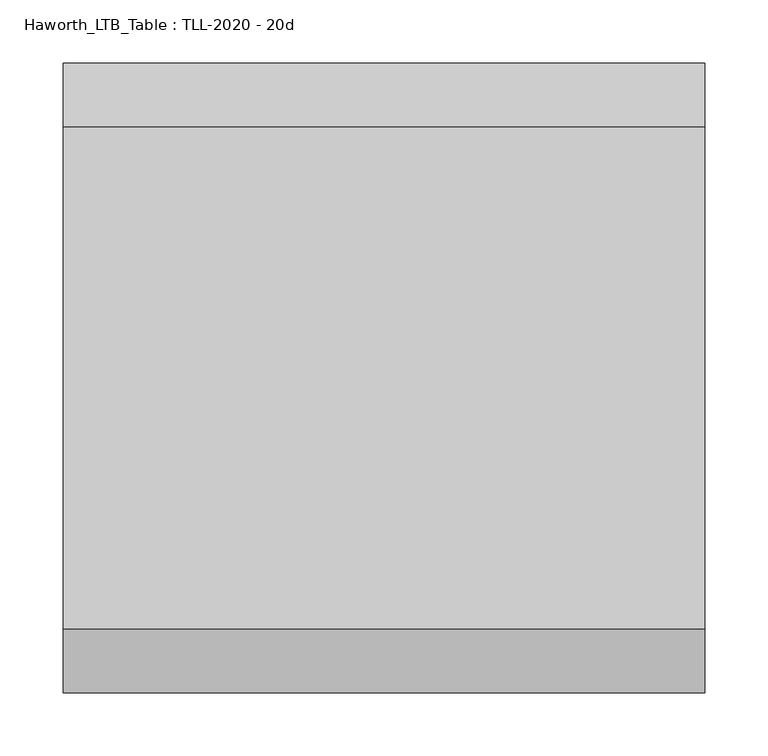
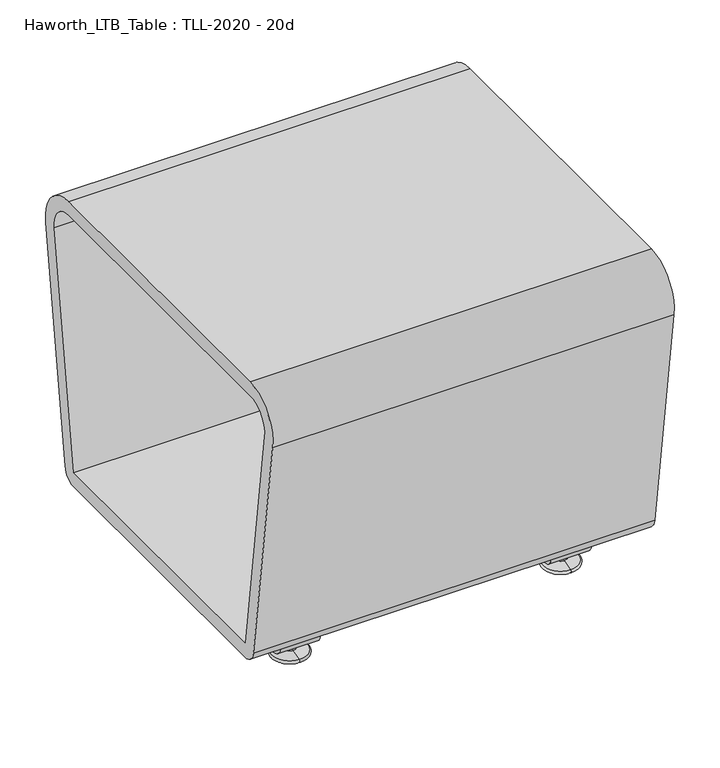
"""IFC4 building model written with IfcOpenShell, lengths in millimetres: furniture geometry, Haworth_LTB_Table : TLL-2020 - 20d."""

from ifc_helpers import new_model, si_unit, point, frame, frame_2d, origin, place, context, project, spatial, polyline, circle_curve, ellipse_curve, trimmed, segment, composite_curve, outline, extrude, source, transform, mapped, element, save
from ifc_brep_helpers import plane_surface, cylinder_surface, revolved_surface, advanced_brep


def haworth_ltb_table_tll_2020_20d_f99d6b03(model_context):
    return source(origin(), model_context, "Body", "SolidModel", [
        advanced_brep(
        [(272.9954642, 134.8425052, 7.8133431), (272.9954642, 150.8355515, 7.8133431), (272.9954642, 147.6015284, 7.8133431), (272.9954642, 138.0765284, 7.8133431), (272.9954642, 120.9001513, 4.0775), (272.9954642, 164.7779054, 4.0775), (272.9954642, 121.3107026, 0.0), (272.9954642, 164.3673542, 0.0), (272.9954642, 142.8390284, 0.0), (272.9954642, 138.0765284, 50.0000004), (272.9954642, 147.6015284, 50.0000004), (272.9954642, 142.8390284, 50.0000004)],
        [
            (0, 1, circle_curve(frame((272.9954642, 142.8390284, 7.8133431), z_axis=(0.0, 0.0, 1.0), x_axis=(0.0, 1.0, 0.0)), 7.9965232)),
            (1, 2),
            (2, 3, circle_curve(frame((272.9954642, 142.8390284, 7.8133431), z_axis=(0.0, 0.0, -1.0), x_axis=(0.0, 1.0, 0.0)), 4.7625)),
            (3, 0),
            (1, 0, circle_curve(frame((272.9954642, 142.8390284, 7.8133431), z_axis=(0.0, 0.0, 1.0), x_axis=(0.0, 1.0, 0.0)), 7.9965232)),
            (3, 2, circle_curve(frame((272.9954642, 142.8390284, 7.8133431), z_axis=(0.0, 0.0, -1.0), x_axis=(0.0, 1.0, 0.0)), 4.7625)),
            (4, 5, circle_curve(frame((272.9954642, 142.8390284, 4.0775), z_axis=(0.0, 0.0, 1.0), x_axis=(0.0, 1.0, 0.0)), 21.9388771)),
            (5, 1),
            (0, 4),
            (5, 4, circle_curve(frame((272.9954642, 142.8390284, 4.0775), z_axis=(0.0, 0.0, 1.0), x_axis=(0.0, 1.0, 0.0)), 21.9388771)),
            (6, 7, circle_curve(frame((272.9954642, 142.8390284, 0.0), z_axis=(0.0, 0.0, 1.0), x_axis=(0.0, 1.0, 0.0)), 21.5283258)),
            (7, 5, circle_curve(frame((272.9954642, 164.2405822, 2.0721829), z_axis=(1.0, 0.0, 0.0), x_axis=(0.0, -1.0, 0.0)), 2.0760571)),
            (4, 6, circle_curve(frame((272.9954642, 121.4374745, 2.0721829), z_axis=(1.0, 0.0, 0.0), x_axis=(0.0, 1.0, 0.0)), 2.0760571)),
            (7, 6, circle_curve(frame((272.9954642, 142.8390284, 0.0), z_axis=(0.0, 0.0, 1.0), x_axis=(0.0, 1.0, 0.0)), 21.5283258)),
            (8, 7),
            (6, 8),
            (9, 10, circle_curve(frame((272.9954642, 142.8390284, 50.0000004), z_axis=(0.0, 0.0, 1.0), x_axis=(0.0, 1.0, 0.0)), 4.7625)),
            (10, 11),
            (11, 9),
            (10, 9, circle_curve(frame((272.9954642, 142.8390284, 50.0000004), z_axis=(0.0, 0.0, 1.0), x_axis=(0.0, 1.0, 0.0)), 4.7625)),
            (2, 10),
            (9, 3),
        ],
        [
            plane_surface(frame((272.9954642, 142.8390284, 7.8133431), z_axis=(0.0, 0.0, 1.0), x_axis=(0.0, 1.0, 0.0))),
            revolved_surface(polyline([(272.9954642, 150.8355515, 7.8133431), (272.9954642, 164.7779054, 4.0775)]), (272.9954642, 142.8390284, 0.0), (0.0, 0.0, -1.0)),
            revolved_surface(trimmed(ellipse_curve(frame((272.9954642, 164.2405822, 2.0721829), z_axis=(-1.0, 0.0, 0.0), x_axis=(0.0, -1.0, 0.0)), 2.0760571, 2.0760571), [point((272.9954642, 164.7779054, 4.0775))], [point((272.9954642, 164.3673542, 0.0))], True, "CARTESIAN"), (272.9954642, 142.8390284, 0.0), (0.0, 0.0, -1.0)),
            plane_surface(frame((272.9954642, 142.8390284, 0.0), z_axis=(0.0, 0.0, -1.0), x_axis=(0.0, 1.0, 0.0))),
            plane_surface(frame((272.9954642, 142.8390284, 50.0000004), z_axis=(0.0, 0.0, 1.0), x_axis=(0.0, 1.0, 0.0))),
            cylinder_surface(frame((272.9954642, 142.8390284, 0.0), z_axis=(0.0, 0.0, -1.0), x_axis=(0.0, 1.0, 0.0)), 4.7625),
        ],
        [
            (0, [[1, 2, 3, 4]]),
            (0, [[5, -4, 6, -2]]),
            (1, [[7, 8, -1, 9]]),
            (1, [[10, -9, -5, -8]]),
            (2, [[11, 12, -7, 13]]),
            (2, [[14, -13, -10, -12]]),
            (3, [[15, -11, 16]]),
            (3, [[-16, -14, -15]]),
            (4, [[17, 18, 19]]),
            (4, [[20, -19, -18]]),
            (5, [[-3, 21, -17, 22]]),
            (5, [[-6, -22, -20, -21]]),
        ],
    ),
        extrude(outline(composite_curve([segment(trimmed(circle_curve(frame_2d((151.994834, 30.0000007)), 15.000001), [point((166.848856, 27.9124042))], [point((151.994834, 14.9999997))], False, "CARTESIAN"), True, "CONTINUOUS"), segment(polyline([(151.994834, 14.9999997), (133.6832228, 14.9999997)]), True, "CONTINUOUS"), segment(trimmed(circle_curve(frame_2d((133.6832228, 30.0000007)), 15.000001), [point((133.6832228, 14.9999997))], [point((118.8292007, 27.9124042))], False, "CARTESIAN"), True, "CONTINUOUS"), segment(polyline([(118.8292007, 27.9124042), (115.7249917, 50.0000004), (121.4709154, 50.0000004), (124.4638262, 28.7043023)]), True, "CONTINUOUS"), segment(trimmed(circle_curve(frame_2d((133.6832241, 30.0000023)), 9.310002), [point((124.4638262, 28.7043023))], [point((133.6832241, 20.6900003))], True, "CARTESIAN"), True, "CONTINUOUS"), segment(polyline([(133.6832241, 20.6900003), (151.9948326, 20.6900003)]), True, "CONTINUOUS"), segment(trimmed(circle_curve(frame_2d((151.9948326, 30.0000023)), 9.310002), [point((151.9948326, 20.6900003))], [point((161.2142305, 28.7043023))], True, "CARTESIAN"), True, "CONTINUOUS"), segment(polyline([(161.2142305, 28.7043023), (164.2071413, 50.0000004), (169.953065, 50.0000004), (166.848856, 27.9124042)]), True, "CONTINUOUS")], self_intersect=False)), frame((247.5954642, 0.0, 0.0), z_axis=(1.0, 0.0, 0.0), x_axis=(0.0, 1.0, 0.0)), (0.0, 0.0, 1.0), 50.8),
        advanced_brep(
        [(616.0045358, 138.0765284, 7.8133431), (616.0045358, 147.6015284, 7.8133431), (616.0045358, 150.8355515, 7.8133431), (616.0045358, 134.8425052, 7.8133431), (616.0045358, 164.7779054, 4.0775), (616.0045358, 120.9001513, 4.0775), (616.0045358, 164.3673542, 0.0), (616.0045358, 121.3107026, 0.0), (616.0045358, 142.8390284, 0.0), (616.0045358, 142.8390284, 50.0000004), (616.0045358, 147.6015284, 50.0000004), (616.0045358, 138.0765284, 50.0000004)],
        [
            (0, 1, circle_curve(frame((616.0045358, 142.8390284, 7.8133431), z_axis=(0.0, 0.0, -1.0), x_axis=(0.0, 1.0, 0.0)), 4.7625)),
            (1, 2),
            (2, 3, circle_curve(frame((616.0045358, 142.8390284, 7.8133431), z_axis=(0.0, 0.0, 1.0), x_axis=(0.0, 1.0, 0.0)), 7.9965232)),
            (3, 0),
            (1, 0, circle_curve(frame((616.0045358, 142.8390284, 7.8133431), z_axis=(0.0, 0.0, -1.0), x_axis=(0.0, 1.0, 0.0)), 4.7625)),
            (3, 2, circle_curve(frame((616.0045358, 142.8390284, 7.8133431), z_axis=(0.0, 0.0, 1.0), x_axis=(0.0, 1.0, 0.0)), 7.9965232)),
            (2, 4),
            (4, 5, circle_curve(frame((616.0045358, 142.8390284, 4.0775), z_axis=(0.0, 0.0, 1.0), x_axis=(0.0, 1.0, 0.0)), 21.9388771)),
            (5, 3),
            (5, 4, circle_curve(frame((616.0045358, 142.8390284, 4.0775), z_axis=(0.0, 0.0, 1.0), x_axis=(0.0, 1.0, 0.0)), 21.9388771)),
            (4, 6, circle_curve(frame((616.0045358, 164.2405822, 2.0721829), z_axis=(-1.0, 0.0, 0.0), x_axis=(0.0, -1.0, 0.0)), 2.0760571)),
            (6, 7, circle_curve(frame((616.0045358, 142.8390284, 0.0), z_axis=(0.0, 0.0, 1.0), x_axis=(0.0, 1.0, 0.0)), 21.5283258)),
            (7, 5, circle_curve(frame((616.0045358, 121.4374745, 2.0721829), z_axis=(-1.0, 0.0, 0.0), x_axis=(0.0, 1.0, 0.0)), 2.0760571)),
            (7, 6, circle_curve(frame((616.0045358, 142.8390284, 0.0), z_axis=(0.0, 0.0, 1.0), x_axis=(0.0, 1.0, 0.0)), 21.5283258)),
            (6, 8),
            (8, 7),
            (9, 10),
            (10, 11, circle_curve(frame((616.0045358, 142.8390284, 50.0000004), z_axis=(0.0, 0.0, 1.0), x_axis=(0.0, 1.0, 0.0)), 4.7625)),
            (11, 9),
            (11, 10, circle_curve(frame((616.0045358, 142.8390284, 50.0000004), z_axis=(0.0, 0.0, 1.0), x_axis=(0.0, 1.0, 0.0)), 4.7625)),
            (10, 1),
            (0, 11),
        ],
        [
            plane_surface(frame((616.0045358, 142.8390284, 7.8133431), z_axis=(0.0, 0.0, 1.0), x_axis=(0.0, 1.0, 0.0))),
            revolved_surface(polyline([(616.0045358, 164.7779054, 4.0775), (616.0045358, 150.8355515, 7.8133431)]), (616.0045358, 142.8390284, 0.0), (0.0, 0.0, 1.0)),
            revolved_surface(trimmed(ellipse_curve(frame((616.0045358, 164.2405822, 2.0721829), z_axis=(1.0, 0.0, 0.0), x_axis=(0.0, -1.0, 0.0)), 2.0760571, 2.0760571), [point((616.0045358, 164.3673542, 0.0))], [point((616.0045358, 164.7779054, 4.0775))], True, "CARTESIAN"), (616.0045358, 142.8390284, 0.0), (0.0, 0.0, 1.0)),
            plane_surface(frame((616.0045358, 142.8390284, 0.0), z_axis=(0.0, 0.0, -1.0), x_axis=(0.0, 1.0, 0.0))),
            plane_surface(frame((616.0045358, 142.8390284, 50.0000004), z_axis=(0.0, 0.0, 1.0), x_axis=(0.0, 1.0, 0.0))),
            cylinder_surface(frame((616.0045358, 142.8390284, 0.0), z_axis=(0.0, 0.0, 1.0), x_axis=(0.0, 1.0, 0.0)), 4.7625),
        ],
        [
            (0, [[1, 2, 3, 4]]),
            (0, [[5, -4, 6, -2]]),
            (1, [[-3, 7, 8, 9]]),
            (1, [[-6, -9, 10, -7]]),
            (2, [[-8, 11, 12, 13]]),
            (2, [[-10, -13, 14, -11]]),
            (3, [[-12, 15, 16]]),
            (3, [[-14, -16, -15]]),
            (4, [[17, 18, 19]]),
            (4, [[-19, 20, -17]]),
            (5, [[-18, 21, -1, 22]]),
            (5, [[-20, -22, -5, -21]]),
        ],
    ),
        extrude(outline(composite_curve([segment(trimmed(circle_curve(frame_2d((151.994834, 30.0000007)), 15.000001), [point((166.848856, 27.9124042))], [point((151.994834, 14.9999997))], False, "CARTESIAN"), True, "CONTINUOUS"), segment(polyline([(151.994834, 14.9999997), (133.6832228, 14.9999997)]), True, "CONTINUOUS"), segment(trimmed(circle_curve(frame_2d((133.6832228, 30.0000007)), 15.000001), [point((133.6832228, 14.9999997))], [point((118.8292007, 27.9124042))], False, "CARTESIAN"), True, "CONTINUOUS"), segment(polyline([(118.8292007, 27.9124042), (115.7249917, 50.0000004), (121.4709154, 50.0000004), (124.4638262, 28.7043023)]), True, "CONTINUOUS"), segment(trimmed(circle_curve(frame_2d((133.6832241, 30.0000023)), 9.310002), [point((124.4638262, 28.7043023))], [point((133.6832241, 20.6900003))], True, "CARTESIAN"), True, "CONTINUOUS"), segment(polyline([(133.6832241, 20.6900003), (151.9948326, 20.6900003)]), True, "CONTINUOUS"), segment(trimmed(circle_curve(frame_2d((151.9948326, 30.0000023)), 9.310002), [point((151.9948326, 20.6900003))], [point((161.2142305, 28.7043023))], True, "CARTESIAN"), True, "CONTINUOUS"), segment(polyline([(161.2142305, 28.7043023), (164.2071413, 50.0000004), (169.953065, 50.0000004), (166.848856, 27.9124042)]), True, "CONTINUOUS")], self_intersect=False)), frame((590.6045358, 0.0, 0.0), z_axis=(1.0, 0.0, 0.0), x_axis=(0.0, 1.0, 0.0)), (0.0, 0.0, 1.0), 50.8),
        advanced_brep(
        [(272.9954642, -138.0765284, 7.8133431), (272.9954642, -147.6015284, 7.8133431), (272.9954642, -150.8355515, 7.8133431), (272.9954642, -134.8425052, 7.8133431), (272.9954642, -164.7779054, 4.0775), (272.9954642, -120.9001513, 4.0775), (272.9954642, -164.3673542, 0.0), (272.9954642, -121.3107026, 0.0), (272.9954642, -142.8390284, 0.0), (272.9954642, -142.8390284, 50.0000004), (272.9954642, -147.6015284, 50.0000004), (272.9954642, -138.0765284, 50.0000004)],
        [
            (0, 1, circle_curve(frame((272.9954642, -142.8390284, 7.8133431), z_axis=(0.0, 0.0, -1.0), x_axis=(0.0, -1.0, 0.0)), 4.7625)),
            (1, 2),
            (2, 3, circle_curve(frame((272.9954642, -142.8390284, 7.8133431), z_axis=(0.0, 0.0, 1.0), x_axis=(0.0, -1.0, 0.0)), 7.9965232)),
            (3, 0),
            (1, 0, circle_curve(frame((272.9954642, -142.8390284, 7.8133431), z_axis=(0.0, 0.0, -1.0), x_axis=(0.0, -1.0, 0.0)), 4.7625)),
            (3, 2, circle_curve(frame((272.9954642, -142.8390284, 7.8133431), z_axis=(0.0, 0.0, 1.0), x_axis=(0.0, -1.0, 0.0)), 7.9965232)),
            (2, 4),
            (4, 5, circle_curve(frame((272.9954642, -142.8390284, 4.0775), z_axis=(0.0, 0.0, 1.0), x_axis=(0.0, -1.0, 0.0)), 21.9388771)),
            (5, 3),
            (5, 4, circle_curve(frame((272.9954642, -142.8390284, 4.0775), z_axis=(0.0, 0.0, 1.0), x_axis=(0.0, -1.0, 0.0)), 21.9388771)),
            (4, 6, circle_curve(frame((272.9954642, -164.2405822, 2.0721829), z_axis=(1.0, 0.0, 0.0), x_axis=(0.0, 1.0, 0.0)), 2.0760571)),
            (6, 7, circle_curve(frame((272.9954642, -142.8390284, 0.0), z_axis=(0.0, 0.0, 1.0), x_axis=(0.0, -1.0, 0.0)), 21.5283258)),
            (7, 5, circle_curve(frame((272.9954642, -121.4374745, 2.0721829), z_axis=(1.0, 0.0, 0.0), x_axis=(0.0, -1.0, 0.0)), 2.0760571)),
            (7, 6, circle_curve(frame((272.9954642, -142.8390284, 0.0), z_axis=(0.0, 0.0, 1.0), x_axis=(0.0, -1.0, 0.0)), 21.5283258)),
            (6, 8),
            (8, 7),
            (9, 10),
            (10, 11, circle_curve(frame((272.9954642, -142.8390284, 50.0000004), z_axis=(0.0, 0.0, 1.0), x_axis=(0.0, -1.0, 0.0)), 4.7625)),
            (11, 9),
            (11, 10, circle_curve(frame((272.9954642, -142.8390284, 50.0000004), z_axis=(0.0, 0.0, 1.0), x_axis=(0.0, -1.0, 0.0)), 4.7625)),
            (10, 1),
            (0, 11),
        ],
        [
            plane_surface(frame((272.9954642, -142.8390284, 7.8133431), z_axis=(0.0, 0.0, 1.0), x_axis=(0.0, -1.0, 0.0))),
            revolved_surface(polyline([(272.9954642, -164.7779054, 4.0775), (272.9954642, -150.8355515, 7.8133431)]), (272.9954642, -142.8390284, 0.0), (0.0, 0.0, 1.0)),
            revolved_surface(trimmed(ellipse_curve(frame((272.9954642, -164.2405822, 2.0721829), z_axis=(-1.0, 0.0, 0.0), x_axis=(0.0, 1.0, 0.0)), 2.0760571, 2.0760571), [point((272.9954642, -164.3673542, 0.0))], [point((272.9954642, -164.7779054, 4.0775))], True, "CARTESIAN"), (272.9954642, -142.8390284, 0.0), (0.0, 0.0, 1.0)),
            plane_surface(frame((272.9954642, -142.8390284, 0.0), z_axis=(0.0, 0.0, -1.0), x_axis=(0.0, -1.0, 0.0))),
            plane_surface(frame((272.9954642, -142.8390284, 50.0000004), z_axis=(0.0, 0.0, 1.0), x_axis=(0.0, -1.0, 0.0))),
            cylinder_surface(frame((272.9954642, -142.8390284, 0.0), z_axis=(0.0, 0.0, 1.0), x_axis=(0.0, -1.0, 0.0)), 4.7625),
        ],
        [
            (0, [[1, 2, 3, 4]]),
            (0, [[5, -4, 6, -2]]),
            (1, [[-3, 7, 8, 9]]),
            (1, [[-6, -9, 10, -7]]),
            (2, [[-8, 11, 12, 13]]),
            (2, [[-10, -13, 14, -11]]),
            (3, [[-12, 15, 16]]),
            (3, [[-14, -16, -15]]),
            (4, [[17, 18, 19]]),
            (4, [[-19, 20, -17]]),
            (5, [[-18, 21, -1, 22]]),
            (5, [[-20, -22, -5, -21]]),
        ],
    ),
        extrude(outline(composite_curve([segment(polyline([(-166.848856, 27.9124042), (-169.953065, 50.0000004), (-164.2071413, 50.0000004), (-161.2142305, 28.7043023)]), True, "CONTINUOUS"), segment(trimmed(circle_curve(frame_2d((-151.9948326, 30.0000023)), 9.310002), [point((-161.2142305, 28.7043023))], [point((-151.9948326, 20.6900003))], True, "CARTESIAN"), True, "CONTINUOUS"), segment(polyline([(-151.9948326, 20.6900003), (-133.6832241, 20.6900003)]), True, "CONTINUOUS"), segment(trimmed(circle_curve(frame_2d((-133.6832241, 30.0000023)), 9.310002), [point((-133.6832241, 20.6900003))], [point((-124.4638262, 28.7043023))], True, "CARTESIAN"), True, "CONTINUOUS"), segment(polyline([(-124.4638262, 28.7043023), (-121.4709154, 50.0000004), (-115.7249917, 50.0000004), (-118.8292007, 27.9124042)]), True, "CONTINUOUS"), segment(trimmed(circle_curve(frame_2d((-133.6832228, 30.0000007)), 15.000001), [point((-118.8292007, 27.9124042))], [point((-133.6832228, 14.9999997))], False, "CARTESIAN"), True, "CONTINUOUS"), segment(polyline([(-133.6832228, 14.9999997), (-151.994834, 14.9999997)]), True, "CONTINUOUS"), segment(trimmed(circle_curve(frame_2d((-151.994834, 30.0000007)), 15.000001), [point((-151.994834, 14.9999997))], [point((-166.848856, 27.9124042))], False, "CARTESIAN"), True, "CONTINUOUS")], self_intersect=False)), frame((247.5954642, 0.0, 0.0), z_axis=(1.0, 0.0, 0.0), x_axis=(0.0, 1.0, 0.0)), (0.0, 0.0, 1.0), 50.8),
        extrude(outline(composite_curve([segment(trimmed(circle_curve(frame_2d((187.8390314, 68.9999996)), 18.9999992), [point((206.6541239, 66.3557108))], [point((187.8390314, 50.0000004))], False, "CARTESIAN"), True, "CONTINUOUS"), segment(polyline([(187.8390314, 50.0000004), (-187.8390314, 50.0000004)]), True, "CONTINUOUS"), segment(trimmed(circle_curve(frame_2d((-187.8390314, 68.9999996)), 18.9999992), [point((-187.8390314, 50.0000004))], [point((-206.6541239, 66.3557108))], False, "CARTESIAN"), True, "CONTINUOUS"), segment(polyline([(-206.6541239, 66.3557108), (-248.9251946, 367.13001)]), True, "CONTINUOUS"), segment(trimmed(circle_curve(frame_2d((-198.6195767, 374.2000035)), 50.8), [point((-248.9251946, 367.13001))], [point((-198.6195767, 425.0000035))], False, "CARTESIAN"), True, "CONTINUOUS"), segment(polyline([(-198.6195767, 425.0000035), (198.6195767, 425.0000035)]), True, "CONTINUOUS"), segment(trimmed(circle_curve(frame_2d((198.6195767, 374.2000035)), 50.8), [point((198.6195767, 425.0000035))], [point((248.9251946, 367.13001))], False, "CARTESIAN"), True, "CONTINUOUS"), segment(polyline([(248.9251946, 367.13001), (206.6541239, 66.3557108)]), True, "CONTINUOUS")], self_intersect=False), holes=[composite_curve([segment(polyline([(-230.2134277, 370.7354743), (-187.8072865, 68.9999989), (187.8072865, 68.9999989), (230.2134277, 370.7354743)]), True, "CONTINUOUS"), segment(trimmed(circle_curve(frame_2d((199.5584416, 375.0437502)), 30.95625), [point((230.2134277, 370.7354743))], [point((199.5584416, 406.0000002))], True, "CARTESIAN"), True, "CONTINUOUS"), segment(polyline([(199.5584416, 406.0000002), (-199.5584416, 406.0000002)]), True, "CONTINUOUS"), segment(trimmed(circle_curve(frame_2d((-199.5584416, 375.0437502)), 30.95625), [point((-199.5584416, 406.0000002))], [point((-230.2134277, 370.7354743))], True, "CARTESIAN"), True, "CONTINUOUS")], self_intersect=False)]), frame((190.5, 0.0, 0.0), z_axis=(1.0, 0.0, 0.0), x_axis=(0.0, 1.0, 0.0)), (0.0, 0.0, 1.0), 508.0),
        advanced_brep(
        [(616.0045358, -134.8425052, 7.8133431), (616.0045358, -150.8355515, 7.8133431), (616.0045358, -147.6015284, 7.8133431), (616.0045358, -138.0765284, 7.8133431), (616.0045358, -120.9001513, 4.0775), (616.0045358, -164.7779054, 4.0775), (616.0045358, -121.3107026, 0.0), (616.0045358, -164.3673542, 0.0), (616.0045358, -142.8390284, 0.0), (616.0045358, -138.0765284, 50.0000004), (616.0045358, -147.6015284, 50.0000004), (616.0045358, -142.8390284, 50.0000004)],
        [
            (0, 1, circle_curve(frame((616.0045358, -142.8390284, 7.8133431), z_axis=(0.0, 0.0, 1.0), x_axis=(0.0, -1.0, 0.0)), 7.9965232)),
            (1, 2),
            (2, 3, circle_curve(frame((616.0045358, -142.8390284, 7.8133431), z_axis=(0.0, 0.0, -1.0), x_axis=(0.0, -1.0, 0.0)), 4.7625)),
            (3, 0),
            (1, 0, circle_curve(frame((616.0045358, -142.8390284, 7.8133431), z_axis=(0.0, 0.0, 1.0), x_axis=(0.0, -1.0, 0.0)), 7.9965232)),
            (3, 2, circle_curve(frame((616.0045358, -142.8390284, 7.8133431), z_axis=(0.0, 0.0, -1.0), x_axis=(0.0, -1.0, 0.0)), 4.7625)),
            (4, 5, circle_curve(frame((616.0045358, -142.8390284, 4.0775), z_axis=(0.0, 0.0, 1.0), x_axis=(0.0, -1.0, 0.0)), 21.9388771)),
            (5, 1),
            (0, 4),
            (5, 4, circle_curve(frame((616.0045358, -142.8390284, 4.0775), z_axis=(0.0, 0.0, 1.0), x_axis=(0.0, -1.0, 0.0)), 21.9388771)),
            (6, 7, circle_curve(frame((616.0045358, -142.8390284, 0.0), z_axis=(0.0, 0.0, 1.0), x_axis=(0.0, -1.0, 0.0)), 21.5283258)),
            (7, 5, circle_curve(frame((616.0045358, -164.2405822, 2.0721829), z_axis=(-1.0, 0.0, 0.0), x_axis=(0.0, 1.0, 0.0)), 2.0760571)),
            (4, 6, circle_curve(frame((616.0045358, -121.4374745, 2.0721829), z_axis=(-1.0, 0.0, 0.0), x_axis=(0.0, -1.0, 0.0)), 2.0760571)),
            (7, 6, circle_curve(frame((616.0045358, -142.8390284, 0.0), z_axis=(0.0, 0.0, 1.0), x_axis=(0.0, -1.0, 0.0)), 21.5283258)),
            (8, 7),
            (6, 8),
            (9, 10, circle_curve(frame((616.0045358, -142.8390284, 50.0000004), z_axis=(0.0, 0.0, 1.0), x_axis=(0.0, -1.0, 0.0)), 4.7625)),
            (10, 11),
            (11, 9),
            (10, 9, circle_curve(frame((616.0045358, -142.8390284, 50.0000004), z_axis=(0.0, 0.0, 1.0), x_axis=(0.0, -1.0, 0.0)), 4.7625)),
            (2, 10),
            (9, 3),
        ],
        [
            plane_surface(frame((616.0045358, -142.8390284, 7.8133431), z_axis=(0.0, 0.0, 1.0), x_axis=(0.0, -1.0, 0.0))),
            revolved_surface(polyline([(616.0045358, -150.8355515, 7.8133431), (616.0045358, -164.7779054, 4.0775)]), (616.0045358, -142.8390284, 0.0), (0.0, 0.0, -1.0)),
            revolved_surface(trimmed(ellipse_curve(frame((616.0045358, -164.2405822, 2.0721829), z_axis=(1.0, 0.0, 0.0), x_axis=(0.0, 1.0, 0.0)), 2.0760571, 2.0760571), [point((616.0045358, -164.7779054, 4.0775))], [point((616.0045358, -164.3673542, 0.0))], True, "CARTESIAN"), (616.0045358, -142.8390284, 0.0), (0.0, 0.0, -1.0)),
            plane_surface(frame((616.0045358, -142.8390284, 0.0), z_axis=(0.0, 0.0, -1.0), x_axis=(0.0, -1.0, 0.0))),
            plane_surface(frame((616.0045358, -142.8390284, 50.0000004), z_axis=(0.0, 0.0, 1.0), x_axis=(0.0, -1.0, 0.0))),
            cylinder_surface(frame((616.0045358, -142.8390284, 0.0), z_axis=(0.0, 0.0, -1.0), x_axis=(0.0, -1.0, 0.0)), 4.7625),
        ],
        [
            (0, [[1, 2, 3, 4]]),
            (0, [[5, -4, 6, -2]]),
            (1, [[7, 8, -1, 9]]),
            (1, [[10, -9, -5, -8]]),
            (2, [[11, 12, -7, 13]]),
            (2, [[14, -13, -10, -12]]),
            (3, [[15, -11, 16]]),
            (3, [[-16, -14, -15]]),
            (4, [[17, 18, 19]]),
            (4, [[20, -19, -18]]),
            (5, [[-3, 21, -17, 22]]),
            (5, [[-6, -22, -20, -21]]),
        ],
    ),
        extrude(outline(composite_curve([segment(polyline([(-166.848856, 27.9124042), (-169.953065, 50.0000004), (-164.2071413, 50.0000004), (-161.2142305, 28.7043023)]), True, "CONTINUOUS"), segment(trimmed(circle_curve(frame_2d((-151.9948326, 30.0000023)), 9.310002), [point((-161.2142305, 28.7043023))], [point((-151.9948326, 20.6900003))], True, "CARTESIAN"), True, "CONTINUOUS"), segment(polyline([(-151.9948326, 20.6900003), (-133.6832241, 20.6900003)]), True, "CONTINUOUS"), segment(trimmed(circle_curve(frame_2d((-133.6832241, 30.0000023)), 9.310002), [point((-133.6832241, 20.6900003))], [point((-124.4638262, 28.7043023))], True, "CARTESIAN"), True, "CONTINUOUS"), segment(polyline([(-124.4638262, 28.7043023), (-121.4709154, 50.0000004), (-115.7249917, 50.0000004), (-118.8292007, 27.9124042)]), True, "CONTINUOUS"), segment(trimmed(circle_curve(frame_2d((-133.6832228, 30.0000007)), 15.000001), [point((-118.8292007, 27.9124042))], [point((-133.6832228, 14.9999997))], False, "CARTESIAN"), True, "CONTINUOUS"), segment(polyline([(-133.6832228, 14.9999997), (-151.994834, 14.9999997)]), True, "CONTINUOUS"), segment(trimmed(circle_curve(frame_2d((-151.994834, 30.0000007)), 15.000001), [point((-151.994834, 14.9999997))], [point((-166.848856, 27.9124042))], False, "CARTESIAN"), True, "CONTINUOUS")], self_intersect=False)), frame((590.6045358, 0.0, 0.0), z_axis=(1.0, 0.0, 0.0), x_axis=(0.0, 1.0, 0.0)), (0.0, 0.0, 1.0), 50.8),
    ])


if __name__ == "__main__":
    model = new_model("IFC4")
    model_context = context("Model", 3, world=origin())
    ifc_project = project(units=[si_unit("LENGTHUNIT", "METRE", prefix="MILLI")], contexts=[model_context])
    site = spatial("IfcSite", under=ifc_project)
    building = spatial("IfcBuilding", under=site)
    placement = place(None, origin())
    haworth_ltb_table_tll_2020_20d_shape = haworth_ltb_table_tll_2020_20d_f99d6b03(model_context)
    element("IfcFurniture", 1, ObjectType="Haworth_LTB_Table : TLL-2020 - 20d", at=placement, inside=building, context=model_context, shape_type="MappedRepresentation", body=[
        mapped(haworth_ltb_table_tll_2020_20d_shape, transform((0.0, 0.0, 0.0), x_axis=(1.0, 0.0, 0.0), y_axis=(0.0, 1.0, 0.0), z_axis=(0.0, 0.0, 1.0))),
    ])
    save(model, "model.ifc")
